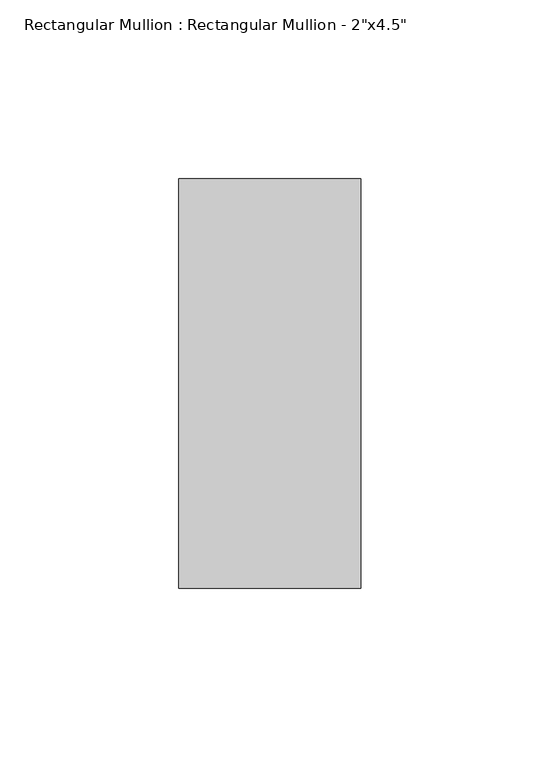
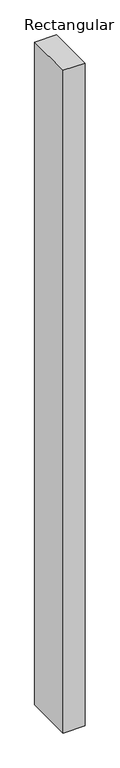
"""IFC4 building model written with IfcOpenShell, lengths in millimetres: member geometry."""

import ifcopenshell
import ifcopenshell.guid

model = None  # the IFC model being written
_history = None  # IfcOwnerHistory: only IFC2X3 demands one
_inside = {}  # id of a spatial element -> (the spatial element, [elements in it])
_under = {}  # id of a project, library or spatial element -> (it, [spatial elements below it])
_declared = {}  # id of a project -> (the project, [libraries it declares])
_typed = {}  # id of a type object -> (the type object, [elements of that type])
_made_of = {}  # id of a material, layer set ... -> (it, [elements and type objects made of it])


def new_model(schema):
    """Start an empty IFC model of exactly this schema.

    Asked for "IFC4X3", IfcOpenShell would pick the latest addendum, in which some entities
    have other attributes; the version numbers below select the first issue.
    IFC2X3 requires an IfcOwnerHistory on every rooted entity: one is made here for all.
    """
    global model, _history
    if schema == "IFC4X3":
        model = ifcopenshell.file(schema_version=(4, 3, 0, 0))
    else:
        model = ifcopenshell.file(schema=schema)
    _inside.clear()
    _under.clear()
    _declared.clear()
    _typed.clear()
    _made_of.clear()
    _history = None
    if model.schema == "IFC2X3":
        org = make("IfcOrganization", Name="unknown")
        user = make(
            "IfcPersonAndOrganization",
            ThePerson=make("IfcPerson", FamilyName="unknown"),
            TheOrganization=org,
        )
        app = make(
            "IfcApplication",
            ApplicationDeveloper=org,
            Version="unknown",
            ApplicationFullName="unknown",
            ApplicationIdentifier="unknown",
        )
        _history = make(
            "IfcOwnerHistory",
            OwningUser=user,
            OwningApplication=app,
            ChangeAction="ADDED",
            CreationDate=0,
        )
    return model


def make(cls, **values):
    """One entity of the class cls with the attributes given. An attribute that is None is left unset."""
    return model.create_entity(
        cls, **{name: value for name, value in values.items() if value is not None}
    )


def rooted(cls, **values):
    """An entity with a GlobalId (a new one), such as an element, a storey or a relation."""
    return make(cls, GlobalId=ifcopenshell.guid.new(), OwnerHistory=_history, **values)


def si_unit(unit_type, name, prefix=None):
    """IfcSIUnit, for example si_unit("LENGTHUNIT", "METRE", prefix="MILLI")."""
    return make("IfcSIUnit", UnitType=unit_type, Prefix=prefix, Name=name)


def assignment(units):
    """IfcUnitAssignment: the units of a project."""
    return None if units is None else make("IfcUnitAssignment", Units=units)


def point(xyz):
    """IfcCartesianPoint."""
    return None if xyz is None else make("IfcCartesianPoint", Coordinates=xyz)


def direction(xyz):
    """IfcDirection."""
    return None if xyz is None else make("IfcDirection", DirectionRatios=xyz)


def frame(location, z_axis=None, x_axis=None):
    """IfcAxis2Placement3D, a coordinate frame: its origin and axes. An axis left out is left unset."""
    return make(
        "IfcAxis2Placement3D",
        Location=point(location),
        Axis=direction(z_axis),
        RefDirection=direction(x_axis),
    )


def origin():
    """The frame at (0, 0, 0) with its axes left unset."""
    return frame((0.0, 0.0, 0.0))


def place(relative_to, where):
    """IfcLocalPlacement: puts the frame where relative to a parent placement (None: the world)."""
    return make(
        "IfcLocalPlacement", PlacementRelTo=relative_to, RelativePlacement=where
    )


def context(
    kind, dimensions, precision=None, world=None, true_north=None, identifier=None
):
    """IfcGeometricRepresentationContext, for example the 3D "Model" context."""
    return make(
        "IfcGeometricRepresentationContext",
        ContextIdentifier=identifier,
        ContextType=kind,
        CoordinateSpaceDimension=dimensions,
        Precision=precision,
        WorldCoordinateSystem=world,
        TrueNorth=true_north,
    )


def project(units=None, contexts=None):
    """IfcProject with its units and contexts."""
    return rooted(
        "IfcProject",
        Name="project",
        RepresentationContexts=contexts,
        UnitsInContext=assignment(units),
    )


def spatial(cls, under=None, at=None, **own):
    """A site, building, storey or space (cls), placed at a placement, below another one or the project."""
    s = rooted(cls, ObjectPlacement=at, **own)
    if under is not None:
        _under.setdefault(under.id(), (under, []))[1].append(s)
    return s


def polyline(points):
    """IfcPolyline through the points."""
    return make("IfcPolyline", Points=[point(p) for p in points])


def outline(outer, holes=None, kind="AREA"):
    """IfcArbitraryClosedProfileDef: a profile drawn as a closed curve; with holes, ...WithVoids."""
    if holes is None:
        return make("IfcArbitraryClosedProfileDef", ProfileType=kind, OuterCurve=outer)
    return make(
        "IfcArbitraryProfileDefWithVoids",
        ProfileType=kind,
        OuterCurve=outer,
        InnerCurves=holes,
    )


def extrude(swept, where, along, depth):
    """IfcExtrudedAreaSolid: the profile swept, set in the frame where, extruded along a direction by depth."""
    return make(
        "IfcExtrudedAreaSolid",
        SweptArea=swept,
        Position=where,
        ExtrudedDirection=direction(along),
        Depth=depth,
    )


def shape(context_of_items, identifier, shape_type, items):
    """IfcShapeRepresentation: the items that make up one representation, for example the "Body"."""
    return make(
        "IfcShapeRepresentation",
        ContextOfItems=context_of_items,
        RepresentationIdentifier=identifier,
        RepresentationType=shape_type,
        Items=items,
    )


def source(mapping_origin, context_of_items, identifier, shape_type, items):
    """IfcRepresentationMap: a shape defined once, which mapped items show again and again."""
    return make(
        "IfcRepresentationMap",
        MappingOrigin=mapping_origin,
        MappedRepresentation=shape(context_of_items, identifier, shape_type, items),
    )


def transform(
    local_origin,
    x_axis=None,
    y_axis=None,
    z_axis=None,
    scale=None,
    scale2=None,
    scale3=None,
    uniform=True,
):
    """IfcCartesianTransformationOperator3D, or its non-uniform kind. x_axis, y_axis, z_axis: its Axis1, 2, 3."""
    if uniform:
        return make(
            "IfcCartesianTransformationOperator3D",
            Axis1=direction(x_axis),
            Axis2=direction(y_axis),
            LocalOrigin=point(local_origin),
            Scale=scale,
            Axis3=direction(z_axis),
        )
    return make(
        "IfcCartesianTransformationOperator3DnonUniform",
        Axis1=direction(x_axis),
        Axis2=direction(y_axis),
        LocalOrigin=point(local_origin),
        Scale=scale,
        Axis3=direction(z_axis),
        Scale2=scale2,
        Scale3=scale3,
    )


def mapped(mapping_source, mapping_target):
    """IfcMappedItem: shows the shape of a source again, moved by a transform."""
    return make(
        "IfcMappedItem", MappingSource=mapping_source, MappingTarget=mapping_target
    )


def made_of(thing, what):
    """Note that an element or type object is made of a material, layer set ...; save() writes the relation."""
    if what is not None:
        _made_of.setdefault(what.id(), (what, []))[1].append(thing)
    return thing


def element(
    cls,
    number,
    at=None,
    inside=None,
    cuts=None,
    type_object=None,
    material=None,
    context=None,
    identifier="Body",
    shape_type=None,
    held_by="IfcProductDefinitionShape",
    body=None,
    shapes=None,
    **own,
):
    """One element of the class cls, such as IfcWall. Its Tag is "e" and its number.

    at: its placement. inside: the storey or other place that contains it. cuts: it is an
    opening in that element (IfcRelVoidsElement). A single representation is given by context,
    identifier, shape_type and body (its items); several are given by shapes. held_by: the class
    of the entity that holds the representations. save() writes the other relations.
    """
    e = rooted(cls, Tag="e%d" % number, ObjectPlacement=at, **own)
    if body is not None:
        shapes = [shape(context, identifier, shape_type, body)]
    if shapes is not None:
        e.Representation = make(held_by, Representations=shapes)
    if inside is not None:
        _inside.setdefault(inside.id(), (inside, []))[1].append(e)
    if cuts is not None:
        rooted(
            "IfcRelVoidsElement", RelatingBuildingElement=cuts, RelatedOpeningElement=e
        )
    if type_object is not None:
        _typed.setdefault(type_object.id(), (type_object, []))[1].append(e)
    return made_of(e, material)


def aggregate(whole, parts):
    """IfcRelAggregates: a whole, such as a stair, and the parts it consists of."""
    return rooted("IfcRelAggregates", RelatingObject=whole, RelatedObjects=parts)


def save(model, path):
    """Write the relations noted so far, then the file.

    IfcRelAggregates (storeys below a building ...), IfcRelContainedInSpatialStructure (elements
    in a storey), IfcRelDefinesByType, IfcRelAssociatesMaterial and IfcRelDeclares: one each for
    every whole, place, type object, material and project.
    """
    for whole, parts in _under.values():
        aggregate(whole, parts)
    for where, things in _inside.values():
        rooted(
            "IfcRelContainedInSpatialStructure",
            RelatedElements=things,
            RelatingStructure=where,
        )
    for kind, things in _typed.values():
        rooted("IfcRelDefinesByType", RelatedObjects=things, RelatingType=kind)
    for what, things in _made_of.values():
        rooted("IfcRelAssociatesMaterial", RelatedObjects=things, RelatingMaterial=what)
    for by, libraries in _declared.values():
        rooted("IfcRelDeclares", RelatingContext=by, RelatedDefinitions=libraries)
    model.write(path)


def member_82f77821(model_context):
    return source(origin(), model_context, "Body", "SweptSolid", [
        extrude(outline(polyline([(0.0, 57.15), (0.0, -57.15), (-50.8, -57.15), (-50.8, 57.15), (0.0, 57.15)])), frame((0.0, 0.0, -1625.6), z_axis=(0.0, 0.0, 1.0), x_axis=(1.0, 0.0, 0.0)), (0.0, 0.0, 1.0), 1625.6),
    ])


if __name__ == "__main__":
    model = new_model("IFC4")
    model_context = context("Model", 3, world=origin())
    ifc_project = project(units=[si_unit("LENGTHUNIT", "METRE", prefix="MILLI")], contexts=[model_context])
    site = spatial("IfcSite", under=ifc_project)
    building = spatial("IfcBuilding", under=site)
    placement = place(None, origin())
    member_shape = member_82f77821(model_context)
    element("IfcMember", 1, ObjectType="Rectangular Mullion : Rectangular Mullion - 2\"x4.5\"", at=placement, inside=building, context=model_context, shape_type="MappedRepresentation", body=[
        mapped(member_shape, transform((0.0, 0.0, 0.0), x_axis=(1.0, 0.0, 0.0), y_axis=(0.0, 1.0, 0.0), z_axis=(0.0, 0.0, 1.0))),
    ])
    save(model, "model.ifc")
